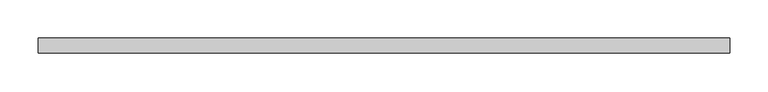
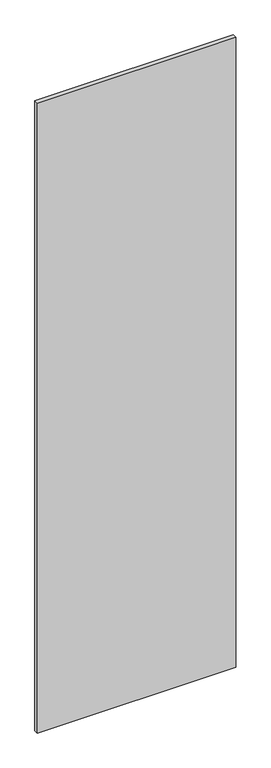
"""IFC4 building model written with IfcOpenShell, lengths in millimetres: proxy geometry."""

from ifc_helpers import new_model, si_unit, frame, origin, place, context, project, spatial, polyline, outline, extrude, source, transform, mapped, element, save


def specialty_equipment_9db8b38a(model_context):
    return source(origin(), model_context, "Body", "SweptSolid", [
        extrude(outline(polyline([(448.9044872, 9.525), (448.9044872, -9.525), (-448.9044872, -9.525), (-448.9044872, 9.525), (448.9044872, 9.525)])), frame((0.0, 0.0, 3.175), z_axis=(0.0, 0.0, 1.0), x_axis=(1.0, 0.0, 0.0)), (0.0, 0.0, 1.0), 3013.075),
    ])


if __name__ == "__main__":
    model = new_model("IFC4")
    model_context = context("Model", 3, world=origin())
    ifc_project = project(units=[si_unit("LENGTHUNIT", "METRE", prefix="MILLI")], contexts=[model_context])
    site = spatial("IfcSite", under=ifc_project)
    building = spatial("IfcBuilding", under=site)
    placement = place(None, origin())
    specialty_equipment_shape = specialty_equipment_9db8b38a(model_context)
    element("IfcBuildingElementProxy", 1, Name="Specialty Equipment", at=placement, inside=building, context=model_context, shape_type="MappedRepresentation", body=[
        mapped(specialty_equipment_shape, transform((0.0, 0.0, 0.0), x_axis=(1.0, 0.0, 0.0), y_axis=(0.0, 1.0, 0.0), z_axis=(0.0, 0.0, 1.0))),
    ])
    save(model, "model.ifc")
